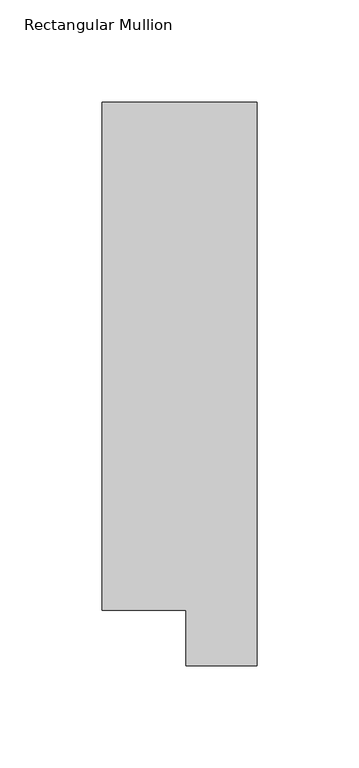
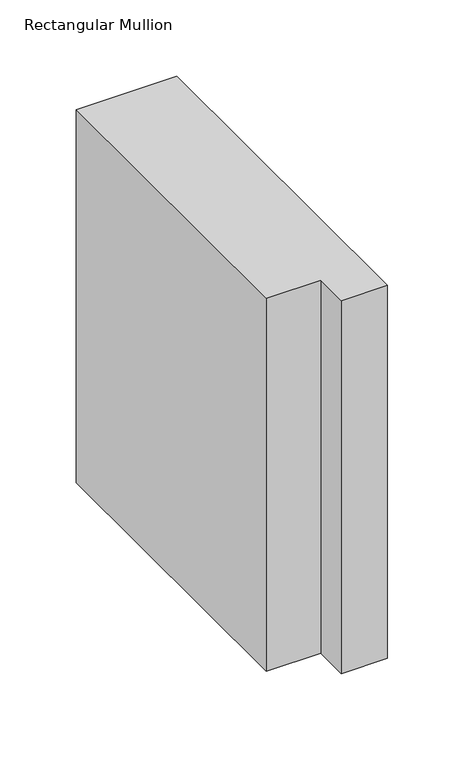
"""IFC4 building model written with IfcOpenShell, lengths in millimetres: member geometry, Rectangular Mullion."""

from ifc_helpers import new_model, si_unit, frame, origin, place, context, project, spatial, polyline, outline, extrude, source, transform, mapped, element, save


def rectangular_mullion_84170df4(model_context):
    return source(origin(), model_context, "Body", "SweptSolid", [
        extrude(outline(polyline([(-3.3e-06, 295.9695326), (0.0, 19.5667326), (-34.9123, 19.5667322), (-34.9123003, 46.7447311), (-76.2000003, 46.7447306), (-76.2000033, 295.9695317), (-3.3e-06, 295.9695326)])), frame((0.0, 0.0, -298.7694233), z_axis=(0.0, 0.0, 1.0), x_axis=(1.0, 0.0, 0.0)), (0.0, 0.0, 1.0), 298.7694233),
    ])


if __name__ == "__main__":
    model = new_model("IFC4")
    model_context = context("Model", 3, world=origin())
    ifc_project = project(units=[si_unit("LENGTHUNIT", "METRE", prefix="MILLI")], contexts=[model_context])
    site = spatial("IfcSite", under=ifc_project)
    building = spatial("IfcBuilding", under=site)
    placement = place(None, origin())
    rectangular_mullion_shape = rectangular_mullion_84170df4(model_context)
    element("IfcMember", 1, ObjectType="Rectangular Mullion", at=placement, inside=building, context=model_context, shape_type="MappedRepresentation", body=[
        mapped(rectangular_mullion_shape, transform((0.0, 0.0, 0.0), x_axis=(1.0, 0.0, 0.0), y_axis=(0.0, 1.0, 0.0), z_axis=(0.0, 0.0, 1.0))),
    ])
    save(model, "model.ifc")
